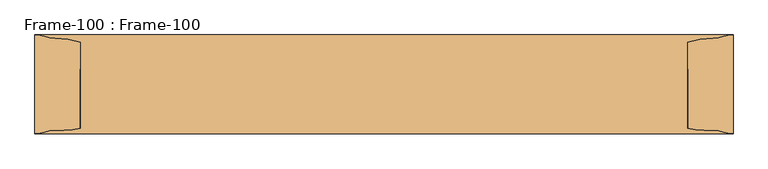
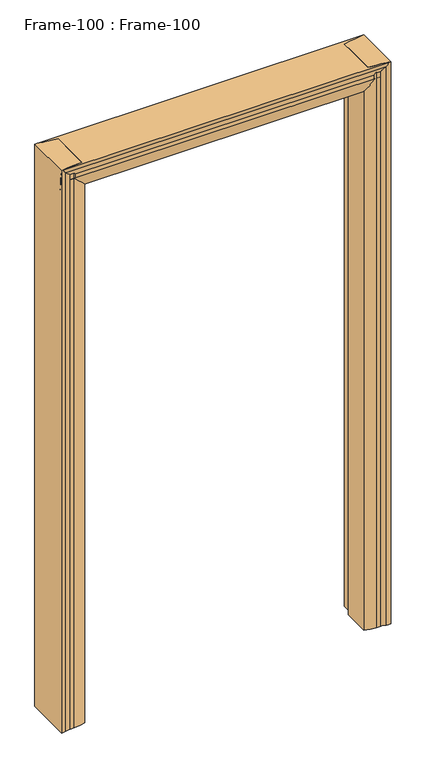
"""IFC4 building model written with IfcOpenShell, lengths in millimetres: door geometry, Frame-100 : Frame-100."""

from ifc_helpers import new_model, si_unit, frame, origin, place, context, project, spatial, polyline, circle_curve, ellipse_curve, source, transform, mapped, element, save
from ifc_brep_helpers import plane_surface, cylinder_surface, revolved_surface, advanced_brep


def frame_100_frame_100_04226f92(model_context):
    return source(origin(), model_context, "Body", "AdvancedBrep", [
        advanced_brep(
        [(-584.2, -82.55, 0.0), (-584.2, 82.55, 0.0), (-568.7106804, 80.0334981, 0.0), (-551.2091669, 76.956654, 0.0), (-508.0, 69.85, 0.0), (-508.0, 25.4, 0.0), (-495.3, 25.4, 0.0), (-495.3, -69.85, 0.0), (-536.0430108, -76.956654, 0.0), (-551.2091669, -76.956654, 0.0), (-568.7106804, -80.0334981, 0.0), (-584.2, -82.55, 2108.2), (-584.2, 82.55, 2108.2), (-568.7106804, 80.0334981, 2108.2), (-551.2091669, 76.956654, 2108.2), (-508.0, 69.85, 2108.2), (-508.0, 25.4, 2108.2), (-495.3, 25.4, 2095.5), (-495.3, -69.85, 2095.5), (-508.0, -73.6437313, 2108.2), (-536.0430108, -76.956654, 2108.2), (-551.2091669, -76.956654, 2108.2), (-568.7106804, -80.0334981, 2108.2)],
        [
            (0, 1),
            (1, 2, circle_curve(frame((-583.1670501, 39.9805064, 0.0), z_axis=(0.0, 0.0, -1.0), x_axis=(-1.0, 0.0, 0.0)), 42.582024)),
            (2, 3, circle_curve(frame((-551.1225129, 128.7634863, 0.0), z_axis=(0.0, 0.0, 1.0), x_axis=(-1.0, 0.0, 0.0)), 51.8069047)),
            (3, 4, circle_curve(frame((-551.4371432, -59.3408202, 0.0), z_axis=(0.0, 0.0, -1.0), x_axis=(-1.0, 0.0, 0.0)), 136.2976648)),
            (4, 5),
            (5, 6),
            (6, 7),
            (7, 8, circle_curve(frame((-536.0430108, 43.3881292, 0.0), z_axis=(0.0, 0.0, -1.0), x_axis=(-1.0, 0.0, 0.0)), 120.3447831)),
            (8, 9),
            (9, 10, circle_curve(frame((-551.1225129, -128.7634863, 0.0), z_axis=(0.0, 0.0, 1.0), x_axis=(-1.0, 0.0, 0.0)), 51.8069048)),
            (10, 0, circle_curve(frame((-583.1670501, -39.9805064, 0.0), z_axis=(0.0, 0.0, -1.0), x_axis=(-1.0, 0.0, 0.0)), 42.582024)),
            (0, 11),
            (11, 12),
            (12, 1),
            (12, 13, circle_curve(frame((-583.1670501, 39.9805064, 2108.2), z_axis=(0.0, 0.0, -1.0), x_axis=(-1.0, 0.0, 0.0)), 42.582024)),
            (13, 2),
            (13, 14, circle_curve(frame((-551.1225129, 128.7634863, 2108.2), z_axis=(0.0, 0.0, 1.0), x_axis=(-1.0, 0.0, 0.0)), 51.8069047)),
            (14, 3),
            (14, 15, circle_curve(frame((-551.4371432, -59.3408202, 2108.2), z_axis=(0.0, 0.0, -1.0), x_axis=(-1.0, 0.0, 0.0)), 136.2976648)),
            (15, 4),
            (15, 16),
            (16, 5),
            (16, 17),
            (17, 6),
            (17, 18),
            (18, 7),
            (18, 19, ellipse_curve(frame((-536.0430108, 43.3881292, 2136.2430108), z_axis=(-0.7071067811865495, 0.0, -0.7071067811865457), x_axis=(0.7071067811865457, 0.0, -0.7071067811865493)), 170.1932244, 120.3447831)),
            (19, 20, circle_curve(frame((-536.0430108, 43.3881292, 2108.2), z_axis=(0.0, 0.0, -1.0), x_axis=(-1.0, 0.0, 0.0)), 120.3447831)),
            (20, 8),
            (20, 21),
            (21, 9),
            (21, 22, circle_curve(frame((-551.1225129, -128.7634863, 2108.2), z_axis=(0.0, 0.0, 1.0), x_axis=(-1.0, 0.0, 0.0)), 51.8069048)),
            (22, 10),
            (22, 11, circle_curve(frame((-583.1670501, -39.9805064, 2108.2), z_axis=(0.0, 0.0, -1.0), x_axis=(-1.0, 0.0, 0.0)), 42.582024)),
            (16, 19),
        ],
        [
            plane_surface(frame((-584.2, 69.85, 0.0), z_axis=(0.0, 0.0, -1.0), x_axis=(0.0, -1.0, 0.0))),
            plane_surface(frame((-584.2, -82.55, 0.0), z_axis=(-1.0, 0.0, 0.0), x_axis=(0.0, 0.0, 1.0))),
            cylinder_surface(frame((-583.1670501, 39.9805064, 0.0), z_axis=(0.0, 0.0, -1.0), x_axis=(-1.0, 0.0, 0.0)), 42.582024),
            revolved_surface(polyline([(-602.9294176, 128.7634863, 2108.2), (-602.9294176, 128.7634863, 0.0)]), (-551.1225129, 128.7634863, 0.0), (0.0, 0.0, 1.0)),
            cylinder_surface(frame((-551.4371432, -59.3408202, 0.0), z_axis=(0.0, 0.0, -1.0), x_axis=(-1.0, 0.0, 0.0)), 136.2976648),
            plane_surface(frame((-508.0, 69.85, 0.0), z_axis=(1.0, 0.0, 0.0), x_axis=(0.0, 0.0, 1.0))),
            plane_surface(frame((-508.0, 25.4, 0.0), z_axis=(0.0, 1.0, 0.0), x_axis=(0.0, 0.0, 1.0))),
            plane_surface(frame((-495.3, 25.4, 0.0), z_axis=(1.0, 0.0, 0.0), x_axis=(0.0, 0.0, 1.0))),
            cylinder_surface(frame((-536.0430108, 43.3881292, 0.0), z_axis=(0.0, 0.0, -1.0), x_axis=(-1.0, 0.0, 0.0)), 120.3447831),
            plane_surface(frame((-536.0430108, -76.956654, 0.0), z_axis=(0.0, -1.0, 0.0), x_axis=(0.0, 0.0, 1.0))),
            revolved_surface(polyline([(-602.9294176999999, -128.7634863, 2108.2), (-602.9294176999999, -128.7634863, 0.0)]), (-551.1225129, -128.7634863, 0.0), (0.0, 0.0, 1.0)),
            cylinder_surface(frame((-583.1670501, -39.9805064, 0.0), z_axis=(0.0, 0.0, -1.0), x_axis=(-1.0, 0.0, 0.0)), 42.582024),
            plane_surface(frame((-508.0, -107.95, 2108.2), z_axis=(0.7071067811865495, 0.0, 0.7071067811865457), x_axis=(0.0, 1.0, 0.0))),
            plane_surface(frame((-584.2, 69.85, 2108.2), z_axis=(0.0, 0.0, 1.0), x_axis=(0.0, -1.0, 0.0))),
        ],
        [
            (0, [[1, 2, 3, 4, 5, 6, 7, 8, 9, 10, 11]]),
            (1, [[-1, 12, 13, 14]]),
            (2, [[-2, -14, 15, 16]]),
            (3, [[-3, -16, 17, 18]]),
            (4, [[-4, -18, 19, 20]]),
            (5, [[-5, -20, 21, 22]]),
            (6, [[-6, -22, 23, 24]]),
            (7, [[-7, -24, 25, 26]]),
            (8, [[-8, -26, 27, 28, 29]]),
            (9, [[-9, -29, 30, 31]]),
            (10, [[-10, -31, 32, 33]]),
            (11, [[-11, -33, 34, -12]]),
            (12, [[-27, -25, -23, 35]]),
            (13, [[-34, -32, -30, -28, -35, -21, -19, -17, -15, -13]]),
        ],
    ),
        advanced_brep(
        [(584.2, -82.55, 0.0), (568.7106804, -80.0334981, 0.0), (551.2091669, -76.956654, 0.0), (536.0430108, -76.956654, 0.0), (495.3, -69.85, 0.0), (495.3, 25.4, 0.0), (508.0, 25.4, 0.0), (508.0, 69.85, 0.0), (551.2091669, 76.956654, 0.0), (568.7106804, 80.0334981, 0.0), (584.2, 82.55, 0.0), (584.2, -82.55, 2108.2), (568.7106804, -80.0334981, 2108.2), (551.2091669, -76.956654, 2108.2), (536.0430108, -76.956654, 2108.2), (508.0, -73.6437313, 2108.2), (495.3, -69.85, 2095.5), (495.3, 25.4, 2095.5), (508.0, 25.4, 2108.2), (508.0, 69.85, 2108.2), (551.2091669, 76.956654, 2108.2), (568.7106804, 80.0334981, 2108.2), (584.2, 82.55, 2108.2)],
        [
            (0, 1, circle_curve(frame((583.1670501, -39.9805064, 0.0), z_axis=(0.0, 0.0, -1.0), x_axis=(-1.0, 0.0, 0.0)), 42.582024)),
            (1, 2, circle_curve(frame((551.1225129, -128.7634863, 0.0), z_axis=(0.0, 0.0, 1.0), x_axis=(-1.0, 0.0, 0.0)), 51.8069048)),
            (2, 3),
            (3, 4, circle_curve(frame((536.0430108, 43.3881292, 0.0), z_axis=(0.0, 0.0, -1.0), x_axis=(-1.0, 0.0, 0.0)), 120.3447831)),
            (4, 5),
            (5, 6),
            (6, 7),
            (7, 8, circle_curve(frame((551.4371432, -59.3408202, 0.0), z_axis=(0.0, 0.0, -1.0), x_axis=(-1.0, 0.0, 0.0)), 136.2976648)),
            (8, 9, circle_curve(frame((551.1225129, 128.7634863, 0.0), z_axis=(0.0, 0.0, 1.0), x_axis=(-1.0, 0.0, 0.0)), 51.8069048)),
            (9, 10, circle_curve(frame((583.1670501, 39.9805064, 0.0), z_axis=(0.0, 0.0, -1.0), x_axis=(-1.0, 0.0, 0.0)), 42.582024)),
            (10, 0),
            (0, 11),
            (11, 12, circle_curve(frame((583.1670501, -39.9805064, 2108.2), z_axis=(0.0, 0.0, -1.0), x_axis=(-1.0, 0.0, 0.0)), 42.582024)),
            (12, 1),
            (12, 13, circle_curve(frame((551.1225129, -128.7634863, 2108.2), z_axis=(0.0, 0.0, 1.0), x_axis=(-1.0, 0.0, 0.0)), 51.8069048)),
            (13, 2),
            (13, 14),
            (14, 3),
            (14, 15, circle_curve(frame((536.0430108, 43.3881292, 2108.2), z_axis=(0.0, 0.0, -1.0), x_axis=(-1.0, 0.0, 0.0)), 120.3447831)),
            (15, 16, ellipse_curve(frame((536.0430108, 43.3881292, 2136.2430108), z_axis=(0.7071067811865469, 0.0, -0.7071067811865481), x_axis=(-0.7071067811865481, 0.0, -0.7071067811865469)), 170.1932244, 120.3447831)),
            (16, 4),
            (16, 17),
            (17, 5),
            (17, 18),
            (18, 6),
            (18, 19),
            (19, 7),
            (19, 20, circle_curve(frame((551.4371432, -59.3408202, 2108.2), z_axis=(0.0, 0.0, -1.0), x_axis=(-1.0, 0.0, 0.0)), 136.2976648)),
            (20, 8),
            (20, 21, circle_curve(frame((551.1225129, 128.7634863, 2108.2), z_axis=(0.0, 0.0, 1.0), x_axis=(-1.0, 0.0, 0.0)), 51.8069048)),
            (21, 9),
            (21, 22, circle_curve(frame((583.1670501, 39.9805064, 2108.2), z_axis=(0.0, 0.0, -1.0), x_axis=(-1.0, 0.0, 0.0)), 42.582024)),
            (22, 10),
            (22, 11),
            (15, 18),
        ],
        [
            plane_surface(frame((584.2, 69.85, 0.0), z_axis=(0.0, 0.0, -1.0), x_axis=(0.0, -1.0, 0.0))),
            cylinder_surface(frame((583.1670501, -39.9805064, 0.0), z_axis=(0.0, 0.0, -1.0), x_axis=(-1.0, 0.0, 0.0)), 42.582024),
            revolved_surface(polyline([(499.31560809999996, -128.7634863, 2108.2), (499.31560809999996, -128.7634863, 0.0)]), (551.1225129, -128.7634863, 0.0), (0.0, 0.0, 1.0)),
            plane_surface(frame((551.2091669, -76.956654, 0.0), z_axis=(0.0, -1.0, 0.0), x_axis=(0.0, 0.0, 1.0))),
            cylinder_surface(frame((536.0430108, 43.3881292, 0.0), z_axis=(0.0, 0.0, -1.0), x_axis=(-1.0, 0.0, 0.0)), 120.3447831),
            plane_surface(frame((495.3, -69.85, 0.0), z_axis=(-1.0, 0.0, 0.0), x_axis=(0.0, 0.0, 1.0))),
            plane_surface(frame((495.3, 25.4, 0.0), z_axis=(0.0, 1.0, 0.0), x_axis=(0.0, 0.0, 1.0))),
            plane_surface(frame((508.0, 25.4, 0.0), z_axis=(-1.0, 0.0, 0.0), x_axis=(0.0, 0.0, 1.0))),
            cylinder_surface(frame((551.4371432, -59.3408202, 0.0), z_axis=(0.0, 0.0, -1.0), x_axis=(-1.0, 0.0, 0.0)), 136.2976648),
            revolved_surface(polyline([(499.31560809999996, 128.7634863, 2108.2), (499.31560809999996, 128.7634863, 0.0)]), (551.1225129, 128.7634863, 0.0), (0.0, 0.0, 1.0)),
            cylinder_surface(frame((583.1670501, 39.9805064, 0.0), z_axis=(0.0, 0.0, -1.0), x_axis=(-1.0, 0.0, 0.0)), 42.582024),
            plane_surface(frame((584.2, 82.55, 0.0), z_axis=(1.0, 0.0, 0.0), x_axis=(0.0, 0.0, 1.0))),
            plane_surface(frame((469.9, -107.95, 2070.1), z_axis=(-0.7071067811865469, 0.0, 0.7071067811865481), x_axis=(0.0, 1.0, 0.0))),
            plane_surface(frame((584.2, 69.85, 2108.2), z_axis=(0.0, 0.0, 1.0), x_axis=(0.0, -1.0, 0.0))),
        ],
        [
            (0, [[1, 2, 3, 4, 5, 6, 7, 8, 9, 10, 11]]),
            (1, [[-1, 12, 13, 14]]),
            (2, [[-2, -14, 15, 16]]),
            (3, [[-3, -16, 17, 18]]),
            (4, [[-4, -18, 19, 20, 21]]),
            (5, [[-5, -21, 22, 23]]),
            (6, [[-6, -23, 24, 25]]),
            (7, [[-7, -25, 26, 27]]),
            (8, [[-8, -27, 28, 29]]),
            (9, [[-9, -29, 30, 31]]),
            (10, [[-10, -31, 32, 33]]),
            (11, [[-11, -33, 34, -12]]),
            (12, [[-20, 35, -24, -22]]),
            (13, [[-13, -34, -32, -30, -28, -26, -35, -19, -17, -15]]),
        ],
    ),
        advanced_brep(
        [(-584.2, -82.55, 2108.2), (-584.2, -80.0334981, 2092.7106804), (584.2, -80.0334981, 2092.7106804), (584.2, -82.55, 2108.2), (-584.2, -76.956654, 2075.2091669), (584.2, -76.956654, 2075.2091669), (-584.2, -76.956654, 2060.0430108), (584.2, -76.956654, 2060.0430108), (-584.2, -73.6437313, 2032.0), (-571.5, -69.85, 2019.3), (546.1, -69.85, 2019.3), (584.2, -73.6437313, 2032.0), (546.1, 25.4, 2019.3), (-571.5, 25.4, 2019.3), (-584.2, 25.4, 2032.0), (584.2, 25.4, 2032.0), (-584.2, 69.85, 2032.0), (584.2, 69.85, 2032.0), (-584.2, 76.956654, 2075.2091669), (584.2, 76.956654, 2075.2091669), (-584.2, 80.0334981, 2092.7106804), (584.2, 80.0334981, 2092.7106804), (-584.2, 82.55, 2108.2), (584.2, 82.55, 2108.2)],
        [
            (0, 1, circle_curve(frame((-584.2, -39.9805064, 2107.1670501), z_axis=(1.0, 0.0, 0.0), x_axis=(0.0, 0.0, 1.0)), 42.582024)),
            (1, 2),
            (2, 3, circle_curve(frame((584.2, -39.9805064, 2107.1670501), z_axis=(-1.0, 0.0, 0.0), x_axis=(0.0, 0.0, 1.0)), 42.582024)),
            (3, 0),
            (1, 4, circle_curve(frame((-584.2, -128.7634863, 2075.1225129), z_axis=(-1.0, 0.0, 0.0), x_axis=(0.0, 0.0, 1.0)), 51.8069048)),
            (4, 5),
            (5, 2, circle_curve(frame((584.2, -128.7634863, 2075.1225129), z_axis=(1.0, 0.0, 0.0), x_axis=(0.0, 0.0, 1.0)), 51.8069048)),
            (4, 6),
            (6, 7),
            (7, 5),
            (6, 8, circle_curve(frame((-584.2, 43.3881292, 2060.0430108), z_axis=(1.0, 0.0, 0.0), x_axis=(0.0, 0.0, 1.0)), 120.3447831)),
            (8, 9, ellipse_curve(frame((-612.2430108, 43.3881292, 2060.0430108), z_axis=(0.7071067811865519, 0.0, 0.7071067811865431), x_axis=(-0.7071067811865431, 0.0, 0.7071067811865519)), 170.1932244, 120.3447831)),
            (9, 10),
            (10, 11, ellipse_curve(frame((668.3290324, 43.3881292, 2060.0430108), z_axis=(-0.31622776601687114, 0.0, 0.9486832980505028), x_axis=(-0.9486832980505028, 0.0, -0.31622776601687114)), 380.5636192, 120.3447831)),
            (11, 7, circle_curve(frame((584.2, 43.3881292, 2060.0430108), z_axis=(-1.0, 0.0, 0.0), x_axis=(0.0, 0.0, 1.0)), 120.3447831)),
            (12, 10),
            (9, 13),
            (13, 12),
            (14, 15),
            (15, 12),
            (13, 14),
            (14, 16),
            (16, 17),
            (17, 15),
            (16, 18, circle_curve(frame((-584.2, -59.3408202, 2075.4371432), z_axis=(1.0, 0.0, 0.0), x_axis=(0.0, 0.0, 1.0)), 136.2976648)),
            (18, 19),
            (19, 17, circle_curve(frame((584.2, -59.3408202, 2075.4371432), z_axis=(-1.0, 0.0, 0.0), x_axis=(0.0, 0.0, 1.0)), 136.2976648)),
            (18, 20, circle_curve(frame((-584.2, 128.7634863, 2075.1225129), z_axis=(-1.0, 0.0, 0.0), x_axis=(0.0, 0.0, 1.0)), 51.8069048)),
            (20, 21),
            (21, 19, circle_curve(frame((584.2, 128.7634863, 2075.1225129), z_axis=(1.0, 0.0, 0.0), x_axis=(0.0, 0.0, 1.0)), 51.8069048)),
            (20, 22, circle_curve(frame((-584.2, 39.9805064, 2107.1670501), z_axis=(1.0, 0.0, 0.0), x_axis=(0.0, 0.0, 1.0)), 42.582024)),
            (22, 23),
            (23, 21, circle_curve(frame((584.2, 39.9805064, 2107.1670501), z_axis=(-1.0, 0.0, 0.0), x_axis=(0.0, 0.0, 1.0)), 42.582024)),
            (22, 0),
            (3, 23),
            (15, 11),
            (8, 14),
        ],
        [
            cylinder_surface(frame((-584.2, -39.9805064, 2107.1670501), z_axis=(-1.0, 0.0, 0.0), x_axis=(0.0, 0.0, 1.0)), 42.582024),
            revolved_surface(polyline([(584.2, -128.7634863, 2126.9294177), (-584.2, -128.7634863, 2126.9294177)]), (-584.2, -128.7634863, 2075.1225129), (1.0, 0.0, 0.0)),
            plane_surface(frame((-584.2, -76.956654, 2060.0430108), z_axis=(0.0, -1.0, 0.0), x_axis=(1.0, 0.0, 0.0))),
            cylinder_surface(frame((-584.2, 43.3881292, 2060.0430108), z_axis=(-1.0, 0.0, 0.0), x_axis=(0.0, 0.0, 1.0)), 120.3447831),
            plane_surface(frame((-584.2, 25.4, 2019.3), z_axis=(0.0, 0.0, -1.0), x_axis=(1.0, 0.0, 0.0))),
            plane_surface(frame((-584.2, 25.4, 2032.0), z_axis=(0.0, 1.0, 0.0), x_axis=(1.0, 0.0, 0.0))),
            plane_surface(frame((-584.2, 69.85, 2032.0), z_axis=(0.0, 0.0, -1.0), x_axis=(1.0, 0.0, 0.0))),
            cylinder_surface(frame((-584.2, -59.3408202, 2075.4371432), z_axis=(-1.0, 0.0, 0.0), x_axis=(0.0, 0.0, 1.0)), 136.2976648),
            revolved_surface(polyline([(584.2, 128.7634863, 2126.9294177), (-584.2, 128.7634863, 2126.9294177)]), (-584.2, 128.7634863, 2075.1225129), (1.0, 0.0, 0.0)),
            cylinder_surface(frame((-584.2, 39.9805064, 2107.1670501), z_axis=(-1.0, 0.0, 0.0), x_axis=(0.0, 0.0, 1.0)), 42.582024),
            plane_surface(frame((-584.2, -82.55, 2108.2), z_axis=(0.0, 0.0, 1.0), x_axis=(1.0, 0.0, 0.0))),
            plane_surface(frame((584.2, -107.95, 2032.0), z_axis=(0.31622776601687114, 0.0, -0.9486832980505028), x_axis=(0.0, 1.0, 0.0))),
            plane_surface(frame((-546.1, -107.95, 1993.9), z_axis=(-0.7071067811865519, 0.0, -0.7071067811865431), x_axis=(0.0, 1.0, 0.0))),
            plane_surface(frame((-584.2, 69.85, 2108.2), z_axis=(-1.0, 0.0, 0.0), x_axis=(0.0, -1.0, 0.0))),
            plane_surface(frame((584.2, 69.85, 2108.2), z_axis=(1.0, 0.0, 0.0), x_axis=(0.0, -1.0, 0.0))),
        ],
        [
            (0, [[1, 2, 3, 4]]),
            (1, [[5, 6, 7, -2]]),
            (2, [[8, 9, 10, -6]]),
            (3, [[-9, 11, 12, 13, 14, 15]]),
            (4, [[16, -13, 17, 18]]),
            (5, [[19, 20, -18, 21]]),
            (6, [[22, 23, 24, -19]]),
            (7, [[25, 26, 27, -23]]),
            (8, [[28, 29, 30, -26]]),
            (9, [[31, 32, 33, -29]]),
            (10, [[34, -4, 35, -32]]),
            (11, [[-14, -16, -20, 36]]),
            (12, [[37, -21, -17, -12]]),
            (13, [[-34, -31, -28, -25, -22, -37, -11, -8, -5, -1]]),
            (14, [[-3, -7, -10, -15, -36, -24, -27, -30, -33, -35]]),
        ],
    ),
    ])


if __name__ == "__main__":
    model = new_model("IFC4")
    model_context = context("Model", 3, world=origin())
    ifc_project = project(units=[si_unit("LENGTHUNIT", "METRE", prefix="MILLI")], contexts=[model_context])
    site = spatial("IfcSite", under=ifc_project)
    building = spatial("IfcBuilding", under=site)
    placement = place(None, origin())
    frame_100_frame_100_shape = frame_100_frame_100_04226f92(model_context)
    element("IfcDoor", 1, ObjectType="Frame-100 : Frame-100", at=placement, inside=building, context=model_context, shape_type="MappedRepresentation", body=[
        mapped(frame_100_frame_100_shape, transform((0.0, 0.0, 0.0), x_axis=(1.0, 0.0, 0.0), y_axis=(0.0, 1.0, 0.0), z_axis=(0.0, 0.0, 1.0))),
    ])
    save(model, "model.ifc")
